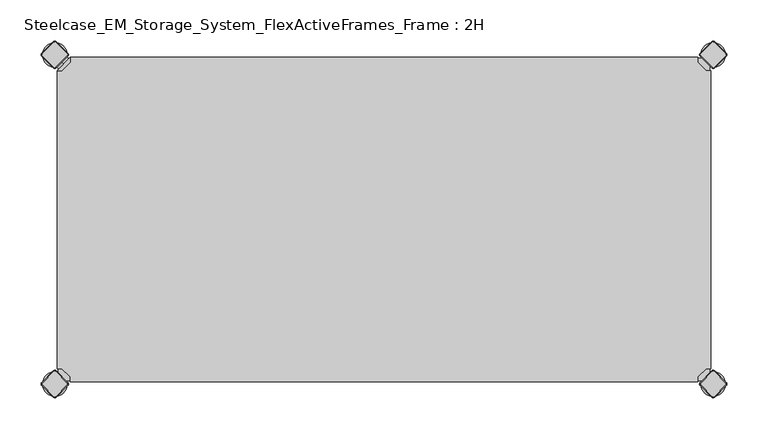
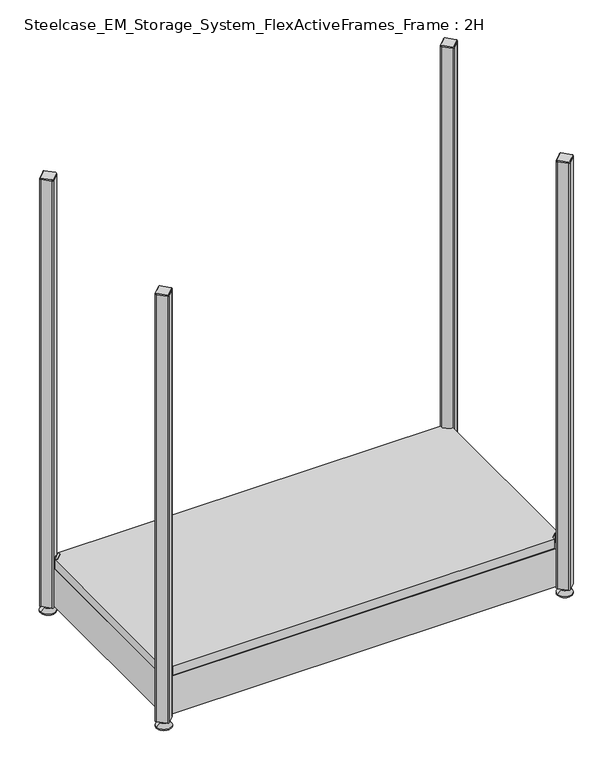
"""IFC4 building model written with IfcOpenShell, lengths in millimetres: furniture geometry, Steelcase_EM_Storage_System_FlexActiveFrames_Frame : 2H."""

from ifc_helpers import new_model, si_unit, point, frame, frame_2d, origin, place, context, project, spatial, polyline, circle_curve, trimmed, segment, composite_curve, outline, extrude, source, transform, mapped, element, save
from ifc_brep_helpers import plane_surface, cylinder_surface, revolved_surface, advanced_brep


def steelcase_em_storage_system_flexactiveframes_frame_2h_0c2cff49(model_context):
    return source(origin(), model_context, "Body", "SolidModel", [
        advanced_brep(
        [(10.9601551, -10.9601551, 98.5), (10.9601551, -10.9601551, 115.5), (10.9601551, -10.9601551, 107.0), (8.8388348, -8.8388348, 98.5), (8.8388348, -8.8388348, 115.5), (8.8388348, -8.8388348, 107.0)],
        [
            (0, 1, circle_curve(frame((10.9601551, -10.9601551, 107.0), z_axis=(0.7071067811865464, -0.7071067811865487, 0.0), x_axis=(0.0, 0.0, 1.0)), 8.5)),
            (1, 2),
            (2, 0),
            (1, 0, circle_curve(frame((10.9601551, -10.9601551, 107.0), z_axis=(0.7071067811865464, -0.7071067811865487, 0.0), x_axis=(0.0, 0.0, 1.0)), 8.5)),
            (3, 4, circle_curve(frame((8.8388348, -8.8388348, 107.0), z_axis=(0.7071067811865464, -0.7071067811865487, 0.0), x_axis=(0.0, 0.0, 1.0)), 8.5)),
            (4, 1),
            (0, 3),
            (4, 3, circle_curve(frame((8.8388348, -8.8388348, 107.0), z_axis=(0.7071067811865464, -0.7071067811865487, 0.0), x_axis=(0.0, 0.0, 1.0)), 8.5)),
            (5, 4),
            (3, 5),
        ],
        [
            plane_surface(frame((10.9601551, -10.9601551, 107.0), z_axis=(0.707106781186546, -0.7071067811865491, 0.0), x_axis=(0.0, 0.0, 1.0))),
            cylinder_surface(frame((8.8388348, -8.8388348, 107.0), z_axis=(-0.7071067811865464, 0.7071067811865487, 0.0), x_axis=(0.0, 0.0, 1.0)), 8.5),
            plane_surface(frame((8.8388348, -8.8388348, 107.0), z_axis=(-0.707106781186546, 0.7071067811865491, 0.0), x_axis=(0.0, 0.0, 1.0))),
        ],
        [
            (0, [[1, 2, 3]]),
            (0, [[4, -3, -2]]),
            (1, [[5, 6, -1, 7]]),
            (1, [[8, -7, -4, -6]]),
            (2, [[9, -5, 10]]),
            (2, [[-10, -8, -9]]),
        ],
    ),
        advanced_brep(
        [(18.9203102, -3.0, 117.0), (3.0, -18.9203102, 117.0), (8.6568542, -18.9203102, 117.0), (18.9203102, -8.6568542, 117.0), (18.9203102, -3.0, 98.0), (18.9203102, -3.0, 97.0), (3.0, -18.9203102, 97.0), (3.0, -18.9203102, 98.0), (8.6568542, -18.9203102, 98.0), (18.9203102, -8.6568542, 98.0), (31.8093975, -47.7297077, 98.0), (47.7297077, -31.8093975, 98.0), (47.7297077, -31.8093975, 97.0), (31.8093975, -47.7297077, 97.0)],
        [
            (0, 1),
            (1, 2),
            (2, 3),
            (3, 0),
            (0, 4),
            (4, 5),
            (5, 6),
            (6, 7),
            (7, 1),
            (2, 8),
            (8, 9),
            (9, 3),
            (9, 4),
            (7, 8),
            (7, 10),
            (10, 11, circle_curve(frame((39.7695526, -39.7695526, 98.0), z_axis=(0.0, 0.0, 1.0), x_axis=(1.0, 0.0, 0.0)), 11.2573593)),
            (11, 4),
            (5, 12),
            (12, 13, circle_curve(frame((39.7695526, -39.7695526, 97.0), z_axis=(0.0, 0.0, -1.0), x_axis=(1.0, 0.0, 0.0)), 11.2573593)),
            (13, 6),
            (13, 10),
            (12, 11),
        ],
        [
            plane_surface(frame((-38.8756299, -60.7959401, 117.0), z_axis=(0.0, 0.0, 1.0000000000000002), x_axis=(-0.7071067811865557, -0.7071067811865395, 0.0))),
            plane_surface(frame((18.9203102, -3.0, 117.0), z_axis=(-0.7071067811865395, 0.7071067811865557, 0.0), x_axis=(0.0, 0.0, -1.0))),
            plane_surface(frame((8.6568542, -18.9203102, 117.0), z_axis=(0.7071067811865481, -0.7071067811865469, 0.0), x_axis=(0.0, 0.0, -1.0))),
            plane_surface(frame((18.9203102, -8.6568542, 117.0), z_axis=(1.0, 0.0, 0.0), x_axis=(0.0, 0.0, -1.0))),
            plane_surface(frame((3.0, -18.9203102, 117.0), z_axis=(0.0, -1.0, 0.0), x_axis=(0.0, 0.0, -1.0))),
            plane_surface(frame((3.0, -18.9203102, 98.0), z_axis=(0.0, 0.0, 1.0), x_axis=(-0.7071067811865485, -0.7071067811865466, 0.0))),
            plane_surface(frame((3.0, -18.9203102, 97.0), z_axis=(0.0, 0.0, -1.0), x_axis=(0.7071067811865485, 0.7071067811865466, 0.0))),
            plane_surface(frame((3.0, -18.9203102, 98.0), z_axis=(-0.7071067811865491, -0.707106781186546, 0.0), x_axis=(0.0, 0.0, -1.0))),
            cylinder_surface(frame((39.7695526, -39.7695526, 97.0), z_axis=(0.0, 0.0, 1.0), x_axis=(1.0, 0.0, 0.0)), 11.2573593),
            plane_surface(frame((47.7297077, -31.8093975, 98.0), z_axis=(0.707106781186548, 0.7071067811865471, 0.0), x_axis=(0.0, 0.0, -1.0))),
        ],
        [
            (0, [[1, 2, 3, 4]]),
            (1, [[-1, 5, 6, 7, 8, 9]]),
            (2, [[-3, 10, 11, 12]]),
            (3, [[-4, -12, 13, -5]]),
            (4, [[-2, -9, 14, -10]]),
            (5, [[15, 16, 17, -13, -11, -14]]),
            (6, [[18, 19, 20, -7]]),
            (7, [[-15, -8, -20, 21]]),
            (8, [[-16, -21, -19, 22]]),
            (9, [[-17, -22, -18, -6]]),
        ],
    ),
        extrude(outline(polyline([(781.0796898, -3.0), (781.0796898, -8.6568542), (791.3431458, -18.9203102), (797.0, -18.9203102), (797.0, -381.0796898), (791.3431458, -381.0796898), (781.0796898, -391.3431458), (781.0796898, -397.0), (18.9203102, -397.0), (18.9203102, -391.3431458), (8.6568542, -381.0796898), (3.0, -381.0796898), (3.0, -18.9203102), (8.6568542, -18.9203102), (18.9203102, -8.6568542), (18.9203102, -3.0), (781.0796898, -3.0)])), frame((0.0, 0.0, 98.0), z_axis=(0.0, 0.0, 1.0), x_axis=(1.0, 0.0, 0.0)), (0.0, 0.0, 1.0), 19.0),
        advanced_brep(
        [(785.0, -400.0, 0.0), (815.0, -400.0, 0.0), (800.0, -400.0, 0.0), (785.0, -400.0, 2.0), (815.0, -400.0, 2.0), (792.0, -400.0, 9.0), (808.0, -400.0, 9.0), (796.0, -400.0, 9.0), (804.0, -400.0, 9.0), (796.0, -400.0, 15.0), (804.0, -400.0, 15.0), (800.0, -400.0, 15.0)],
        [
            (0, 1, circle_curve(frame((800.0, -400.0, 0.0), z_axis=(0.0, 0.0, -1.0), x_axis=(1.0, 0.0, 0.0)), 15.0)),
            (1, 2),
            (2, 0),
            (1, 0, circle_curve(frame((800.0, -400.0, 0.0), z_axis=(0.0, 0.0, -1.0), x_axis=(1.0, 0.0, 0.0)), 15.0)),
            (3, 4, circle_curve(frame((800.0, -400.0, 2.0), z_axis=(0.0, 0.0, -1.0), x_axis=(1.0, 0.0, 0.0)), 15.0)),
            (4, 1),
            (0, 3),
            (4, 3, circle_curve(frame((800.0, -400.0, 2.0), z_axis=(0.0, 0.0, -1.0), x_axis=(1.0, 0.0, 0.0)), 15.0)),
            (5, 6, circle_curve(frame((800.0, -400.0, 9.0), z_axis=(0.0, 0.0, -1.0), x_axis=(1.0, 0.0, 0.0)), 8.0)),
            (6, 4),
            (3, 5),
            (6, 5, circle_curve(frame((800.0, -400.0, 9.0), z_axis=(0.0, 0.0, -1.0), x_axis=(1.0, 0.0, 0.0)), 8.0)),
            (7, 8, circle_curve(frame((800.0, -400.0, 9.0), z_axis=(0.0, 0.0, -1.0), x_axis=(1.0, 0.0, 0.0)), 4.0)),
            (8, 6),
            (5, 7),
            (8, 7, circle_curve(frame((800.0, -400.0, 9.0), z_axis=(0.0, 0.0, -1.0), x_axis=(1.0, 0.0, 0.0)), 4.0)),
            (9, 10, circle_curve(frame((800.0, -400.0, 15.0), z_axis=(0.0, 0.0, -1.0), x_axis=(1.0, 0.0, 0.0)), 4.0)),
            (10, 8),
            (7, 9),
            (10, 9, circle_curve(frame((800.0, -400.0, 15.0), z_axis=(0.0, 0.0, -1.0), x_axis=(1.0, 0.0, 0.0)), 4.0)),
            (11, 10),
            (9, 11),
        ],
        [
            plane_surface(frame((800.0, -400.0, 0.0), z_axis=(0.0, 0.0, -1.0), x_axis=(1.0, 0.0, 0.0))),
            cylinder_surface(frame((800.0, -400.0, 18.6083303), z_axis=(0.0, 0.0, 1.0), x_axis=(1.0, 0.0, 0.0)), 15.0),
            revolved_surface(polyline([(815.0, -400.0, 2.0), (808.0, -400.0, 9.0)]), (800.0, -400.0, 18.6083303), (0.0, 0.0, 1.0)),
            plane_surface(frame((800.0, -400.0, 9.0), z_axis=(0.0, 0.0, 1.0), x_axis=(1.0, 0.0, 0.0))),
            cylinder_surface(frame((800.0, -400.0, 18.6083303), z_axis=(0.0, 0.0, 1.0), x_axis=(1.0, 0.0, 0.0)), 4.0),
            plane_surface(frame((800.0, -400.0, 15.0), z_axis=(0.0, 0.0, 1.0), x_axis=(1.0, 0.0, 0.0))),
        ],
        [
            (0, [[1, 2, 3]]),
            (0, [[4, -3, -2]]),
            (1, [[5, 6, -1, 7]]),
            (1, [[8, -7, -4, -6]]),
            (2, [[9, 10, -5, 11]]),
            (2, [[12, -11, -8, -10]]),
            (3, [[13, 14, -9, 15]]),
            (3, [[16, -15, -12, -14]]),
            (4, [[17, 18, -13, 19]]),
            (4, [[20, -19, -16, -18]]),
            (5, [[21, -17, 22]]),
            (5, [[-22, -20, -21]]),
        ],
    ),
        advanced_brep(
        [(798.7979185, -384.6557828, 917.0), (784.6557828, -398.7979185, 917.0), (784.6557828, -401.2020815, 917.0), (798.7979185, -415.3442172, 917.0), (801.2020815, -415.3442172, 917.0), (815.3442172, -401.2020815, 917.0), (815.3442172, -398.7979185, 917.0), (801.2020815, -384.6557828, 917.0), (798.232233, -384.0900974, 915.0), (801.767767, -384.0900974, 915.0), (815.9099026, -398.232233, 915.0), (815.9099026, -401.767767, 915.0), (801.767767, -415.9099026, 915.0), (798.232233, -415.9099026, 915.0), (784.0900974, -401.767767, 915.0), (784.0900974, -398.232233, 915.0)],
        [
            (0, 1),
            (1, 2, circle_curve(frame((785.8578644, -400.0, 917.0), z_axis=(0.0, 0.0, 1.0), x_axis=(-0.7071067811865537, 0.7071067811865414, 0.0)), 1.7)),
            (2, 3),
            (3, 4, circle_curve(frame((800.0, -414.1421356, 917.0), z_axis=(0.0, 0.0, 1.0), x_axis=(-0.7071067811865491, -0.707106781186546, 0.0)), 1.7)),
            (4, 5),
            (5, 6, circle_curve(frame((814.1421356, -400.0, 917.0), z_axis=(0.0, 0.0, 1.0), x_axis=(0.707106781186539, -0.7071067811865559, 0.0)), 1.7)),
            (6, 7),
            (7, 0, circle_curve(frame((800.0, -385.8578644, 917.0), z_axis=(0.0, 0.0, 1.0), x_axis=(0.7071067811865458, 0.7071067811865492, 0.0)), 1.7)),
            (8, 9, circle_curve(frame((800.0, -385.8578644, 915.0), z_axis=(0.0, 0.0, -1.0), x_axis=(0.7071067811865458, 0.7071067811865492, 0.0)), 2.5)),
            (9, 10),
            (10, 11, circle_curve(frame((814.1421356, -400.0, 915.0), z_axis=(0.0, 0.0, -1.0), x_axis=(0.707106781186539, -0.7071067811865559, 0.0)), 2.5)),
            (11, 12),
            (12, 13, circle_curve(frame((800.0, -414.1421356, 915.0), z_axis=(0.0, 0.0, -1.0), x_axis=(-0.7071067811865491, -0.707106781186546, 0.0)), 2.5)),
            (13, 14),
            (14, 15, circle_curve(frame((785.8578644, -400.0, 915.0), z_axis=(0.0, 0.0, -1.0), x_axis=(-0.7071067811865537, 0.7071067811865414, 0.0)), 2.5)),
            (15, 8),
            (15, 1),
            (0, 8),
            (14, 2),
            (13, 3),
            (12, 4),
            (11, 5),
            (10, 6),
            (9, 7),
        ],
        [
            plane_surface(frame((800.0, -400.0, 917.0), z_axis=(0.0, 0.0, 1.0), x_axis=(-0.7071067811865486, 0.7071067811865466, 0.0))),
            plane_surface(frame((800.0, -400.0, 915.0), z_axis=(0.0, 0.0, -1.0), x_axis=(-0.7071067811865486, 0.7071067811865466, 0.0))),
            plane_surface(frame((791.1611652, -391.1611652, 915.0), z_axis=(-0.6565321642986388, 0.6565321642986298, 0.3713906763540281), x_axis=(-0.7071067811865408, -0.7071067811865543, 0.0))),
            revolved_surface(polyline([(784.65578284, -398.79791844, 917.0), (784.0900974, -398.232233, 915.0)]), (785.8578644, -400.0, 921.25), (0.0, 0.0, -1.0)),
            plane_surface(frame((791.1611652, -408.8388348, 915.0), z_axis=(-0.6565321642986306, -0.656532164298643, 0.3713906763540188), x_axis=(0.7071067811865523, -0.7071067811865428, 0.0))),
            revolved_surface(polyline([(798.79791844, -415.34421716, 917.0), (798.232233, -415.9099026, 915.0)]), (800.0, -414.1421356, 921.25), (0.0, 0.0, -1.0)),
            plane_surface(frame((808.8388348, -408.8388348, 915.0), z_axis=(0.6565321642986299, -0.656532164298642, 0.3713906763540221), x_axis=(0.7071067811865541, 0.707106781186541, 0.0))),
            revolved_surface(polyline([(815.34421716, -401.20208156, 917.0), (815.9099026, -401.767767, 915.0)]), (814.1421356, -400.0, 921.25), (0.0, 0.0, -1.0)),
            plane_surface(frame((808.8388348, -391.1611652, 915.0), z_axis=(0.6565321642986411, 0.6565321642986284, 0.37139067635402634), x_axis=(-0.7071067811865407, 0.7071067811865545, 0.0))),
            revolved_surface(polyline([(801.20208156, -384.65578284, 917.0), (801.767767, -384.0900974, 915.0)]), (800.0, -385.8578644, 921.25), (0.0, 0.0, -1.0)),
        ],
        [
            (0, [[1, 2, 3, 4, 5, 6, 7, 8]]),
            (1, [[9, 10, 11, 12, 13, 14, 15, 16]]),
            (2, [[-16, 17, -1, 18]]),
            (3, [[-15, 19, -2, -17]]),
            (4, [[-14, 20, -3, -19]]),
            (5, [[-13, 21, -4, -20]]),
            (6, [[-12, 22, -5, -21]]),
            (7, [[-11, 23, -6, -22]]),
            (8, [[-10, 24, -7, -23]]),
            (9, [[-9, -18, -8, -24]]),
        ],
    ),
        extrude(outline(composite_curve([segment(trimmed(circle_curve(frame_2d((814.1421356, -400.0)), 2.5), [point((815.9099026, -398.232233))], [point((815.9099026, -401.767767))], False, "CARTESIAN"), True, "CONTINUOUS"), segment(polyline([(815.9099026, -401.767767), (801.767767, -415.9099026)]), True, "CONTINUOUS"), segment(trimmed(circle_curve(frame_2d((800.0, -414.1421356)), 2.5), [point((801.767767, -415.9099026))], [point((798.232233, -415.9099026))], False, "CARTESIAN"), True, "CONTINUOUS"), segment(polyline([(798.232233, -415.9099026), (784.0900974, -401.767767)]), True, "CONTINUOUS"), segment(trimmed(circle_curve(frame_2d((785.8578644, -400.0)), 2.5), [point((784.0900974, -401.767767))], [point((784.0900974, -398.232233))], False, "CARTESIAN"), True, "CONTINUOUS"), segment(polyline([(784.0900974, -398.232233), (798.232233, -384.0900974)]), True, "CONTINUOUS"), segment(trimmed(circle_curve(frame_2d((800.0, -385.8578644)), 2.5), [point((798.232233, -384.0900974))], [point((801.767767, -384.0900974))], False, "CARTESIAN"), True, "CONTINUOUS"), segment(polyline([(801.767767, -384.0900974), (815.9099026, -398.232233)]), True, "CONTINUOUS")], self_intersect=False)), frame((0.0, 0.0, 15.0), z_axis=(0.0, 0.0, 1.0), x_axis=(1.0, 0.0, 0.0)), (0.0, 0.0, 1.0), 900.0),
        advanced_brep(
        [(785.0, 0.0, 0.0), (815.0, 0.0, 0.0), (800.0, 0.0, 0.0), (785.0, 0.0, 2.0), (815.0, 0.0, 2.0), (792.0, 0.0, 9.0), (808.0, 0.0, 9.0), (796.0, 0.0, 9.0), (804.0, 0.0, 9.0), (796.0, 0.0, 15.0), (804.0, 0.0, 15.0), (800.0, 0.0, 15.0)],
        [
            (0, 1, circle_curve(frame((800.0, 0.0, 0.0), z_axis=(0.0, 0.0, -1.0), x_axis=(1.0, 0.0, 0.0)), 15.0)),
            (1, 2),
            (2, 0),
            (1, 0, circle_curve(frame((800.0, 0.0, 0.0), z_axis=(0.0, 0.0, -1.0), x_axis=(1.0, 0.0, 0.0)), 15.0)),
            (3, 4, circle_curve(frame((800.0, 0.0, 2.0), z_axis=(0.0, 0.0, -1.0), x_axis=(1.0, 0.0, 0.0)), 15.0)),
            (4, 1),
            (0, 3),
            (4, 3, circle_curve(frame((800.0, 0.0, 2.0), z_axis=(0.0, 0.0, -1.0), x_axis=(1.0, 0.0, 0.0)), 15.0)),
            (5, 6, circle_curve(frame((800.0, 0.0, 9.0), z_axis=(0.0, 0.0, -1.0), x_axis=(1.0, 0.0, 0.0)), 8.0)),
            (6, 4),
            (3, 5),
            (6, 5, circle_curve(frame((800.0, 0.0, 9.0), z_axis=(0.0, 0.0, -1.0), x_axis=(1.0, 0.0, 0.0)), 8.0)),
            (7, 8, circle_curve(frame((800.0, 0.0, 9.0), z_axis=(0.0, 0.0, -1.0), x_axis=(1.0, 0.0, 0.0)), 4.0)),
            (8, 6),
            (5, 7),
            (8, 7, circle_curve(frame((800.0, 0.0, 9.0), z_axis=(0.0, 0.0, -1.0), x_axis=(1.0, 0.0, 0.0)), 4.0)),
            (9, 10, circle_curve(frame((800.0, 0.0, 15.0), z_axis=(0.0, 0.0, -1.0), x_axis=(1.0, 0.0, 0.0)), 4.0)),
            (10, 8),
            (7, 9),
            (10, 9, circle_curve(frame((800.0, 0.0, 15.0), z_axis=(0.0, 0.0, -1.0), x_axis=(1.0, 0.0, 0.0)), 4.0)),
            (11, 10),
            (9, 11),
        ],
        [
            plane_surface(frame((800.0, 0.0, 0.0), z_axis=(0.0, 0.0, -1.0), x_axis=(1.0, 0.0, 0.0))),
            cylinder_surface(frame((800.0, 0.0, 18.6083303), z_axis=(0.0, 0.0, 1.0), x_axis=(1.0, 0.0, 0.0)), 15.0),
            revolved_surface(polyline([(815.0, 0.0, 2.0), (808.0, 0.0, 9.0)]), (800.0, 0.0, 18.6083303), (0.0, 0.0, 1.0)),
            plane_surface(frame((800.0, 0.0, 9.0), z_axis=(0.0, 0.0, 1.0), x_axis=(1.0, 0.0, 0.0))),
            cylinder_surface(frame((800.0, 0.0, 18.6083303), z_axis=(0.0, 0.0, 1.0), x_axis=(1.0, 0.0, 0.0)), 4.0),
            plane_surface(frame((800.0, 0.0, 15.0), z_axis=(0.0, 0.0, 1.0), x_axis=(1.0, 0.0, 0.0))),
        ],
        [
            (0, [[1, 2, 3]]),
            (0, [[4, -3, -2]]),
            (1, [[5, 6, -1, 7]]),
            (1, [[8, -7, -4, -6]]),
            (2, [[9, 10, -5, 11]]),
            (2, [[12, -11, -8, -10]]),
            (3, [[13, 14, -9, 15]]),
            (3, [[16, -15, -12, -14]]),
            (4, [[17, 18, -13, 19]]),
            (4, [[20, -19, -16, -18]]),
            (5, [[21, -17, 22]]),
            (5, [[-22, -20, -21]]),
        ],
    ),
        advanced_brep(
        [(798.7979185, 15.3442172, 917.0), (784.6557828, 1.2020815, 917.0), (784.6557828, -1.2020815, 917.0), (798.7979185, -15.3442172, 917.0), (801.2020815, -15.3442172, 917.0), (815.3442172, -1.2020815, 917.0), (815.3442172, 1.2020815, 917.0), (801.2020815, 15.3442172, 917.0), (798.232233, 15.9099026, 915.0), (801.767767, 15.9099026, 915.0), (815.9099026, 1.767767, 915.0), (815.9099026, -1.767767, 915.0), (801.767767, -15.9099026, 915.0), (798.232233, -15.9099026, 915.0), (784.0900974, -1.767767, 915.0), (784.0900974, 1.767767, 915.0)],
        [
            (0, 1),
            (1, 2, circle_curve(frame((785.8578644, 0.0, 917.0), z_axis=(0.0, 0.0, 1.0), x_axis=(-0.7071067811865537, 0.7071067811865414, 0.0)), 1.7)),
            (2, 3),
            (3, 4, circle_curve(frame((800.0, -14.1421356, 917.0), z_axis=(0.0, 0.0, 1.0), x_axis=(-0.7071067811865491, -0.707106781186546, 0.0)), 1.7)),
            (4, 5),
            (5, 6, circle_curve(frame((814.1421356, 0.0, 917.0), z_axis=(0.0, 0.0, 1.0), x_axis=(0.707106781186539, -0.7071067811865559, 0.0)), 1.7)),
            (6, 7),
            (7, 0, circle_curve(frame((800.0, 14.1421356, 917.0), z_axis=(0.0, 0.0, 1.0), x_axis=(0.7071067811865458, 0.7071067811865492, 0.0)), 1.7)),
            (8, 9, circle_curve(frame((800.0, 14.1421356, 915.0), z_axis=(0.0, 0.0, -1.0), x_axis=(0.7071067811865458, 0.7071067811865492, 0.0)), 2.5)),
            (9, 10),
            (10, 11, circle_curve(frame((814.1421356, 0.0, 915.0), z_axis=(0.0, 0.0, -1.0), x_axis=(0.707106781186539, -0.7071067811865559, 0.0)), 2.5)),
            (11, 12),
            (12, 13, circle_curve(frame((800.0, -14.1421356, 915.0), z_axis=(0.0, 0.0, -1.0), x_axis=(-0.7071067811865491, -0.707106781186546, 0.0)), 2.5)),
            (13, 14),
            (14, 15, circle_curve(frame((785.8578644, 0.0, 915.0), z_axis=(0.0, 0.0, -1.0), x_axis=(-0.7071067811865537, 0.7071067811865414, 0.0)), 2.5)),
            (15, 8),
            (15, 1),
            (0, 8),
            (14, 2),
            (13, 3),
            (12, 4),
            (11, 5),
            (10, 6),
            (9, 7),
        ],
        [
            plane_surface(frame((800.0, 0.0, 917.0), z_axis=(0.0, 0.0, 1.0), x_axis=(-0.7071067811865486, 0.7071067811865466, 0.0))),
            plane_surface(frame((800.0, 0.0, 915.0), z_axis=(0.0, 0.0, -1.0), x_axis=(-0.7071067811865486, 0.7071067811865466, 0.0))),
            plane_surface(frame((791.1611652, 8.8388348, 915.0), z_axis=(-0.6565321642986388, 0.6565321642986298, 0.3713906763540281), x_axis=(-0.7071067811865408, -0.7071067811865543, 0.0))),
            revolved_surface(polyline([(784.65578284, 1.20208156, 917.0), (784.0900974, 1.767767, 915.0)]), (785.8578644, 0.0, 921.25), (0.0, 0.0, -1.0)),
            plane_surface(frame((791.1611652, -8.8388348, 915.0), z_axis=(-0.6565321642986306, -0.656532164298643, 0.3713906763540188), x_axis=(0.7071067811865523, -0.7071067811865428, 0.0))),
            revolved_surface(polyline([(798.79791844, -15.34421716, 917.0), (798.232233, -15.9099026, 915.0)]), (800.0, -14.1421356, 921.25), (0.0, 0.0, -1.0)),
            plane_surface(frame((808.8388348, -8.8388348, 915.0), z_axis=(0.6565321642986299, -0.656532164298642, 0.3713906763540221), x_axis=(0.7071067811865541, 0.707106781186541, 0.0))),
            revolved_surface(polyline([(815.34421716, -1.20208156, 917.0), (815.9099026, -1.767767, 915.0)]), (814.1421356, 0.0, 921.25), (0.0, 0.0, -1.0)),
            plane_surface(frame((808.8388348, 8.8388348, 915.0), z_axis=(0.6565321642986411, 0.6565321642986284, 0.37139067635402634), x_axis=(-0.7071067811865407, 0.7071067811865545, 0.0))),
            revolved_surface(polyline([(801.20208156, 15.34421716, 917.0), (801.767767, 15.9099026, 915.0)]), (800.0, 14.1421356, 921.25), (0.0, 0.0, -1.0)),
        ],
        [
            (0, [[1, 2, 3, 4, 5, 6, 7, 8]]),
            (1, [[9, 10, 11, 12, 13, 14, 15, 16]]),
            (2, [[-16, 17, -1, 18]]),
            (3, [[-15, 19, -2, -17]]),
            (4, [[-14, 20, -3, -19]]),
            (5, [[-13, 21, -4, -20]]),
            (6, [[-12, 22, -5, -21]]),
            (7, [[-11, 23, -6, -22]]),
            (8, [[-10, 24, -7, -23]]),
            (9, [[-9, -18, -8, -24]]),
        ],
    ),
        extrude(outline(composite_curve([segment(trimmed(circle_curve(frame_2d((814.1421356, 0.0)), 2.5), [point((815.9099026, 1.767767))], [point((815.9099026, -1.767767))], False, "CARTESIAN"), True, "CONTINUOUS"), segment(polyline([(815.9099026, -1.767767), (801.767767, -15.9099026)]), True, "CONTINUOUS"), segment(trimmed(circle_curve(frame_2d((800.0, -14.1421356)), 2.5), [point((801.767767, -15.9099026))], [point((798.232233, -15.9099026))], False, "CARTESIAN"), True, "CONTINUOUS"), segment(polyline([(798.232233, -15.9099026), (784.0900974, -1.767767)]), True, "CONTINUOUS"), segment(trimmed(circle_curve(frame_2d((785.8578644, 0.0)), 2.5), [point((784.0900974, -1.767767))], [point((784.0900974, 1.767767))], False, "CARTESIAN"), True, "CONTINUOUS"), segment(polyline([(784.0900974, 1.767767), (798.232233, 15.9099026)]), True, "CONTINUOUS"), segment(trimmed(circle_curve(frame_2d((800.0, 14.1421356)), 2.5), [point((798.232233, 15.9099026))], [point((801.767767, 15.9099026))], False, "CARTESIAN"), True, "CONTINUOUS"), segment(polyline([(801.767767, 15.9099026), (815.9099026, 1.767767)]), True, "CONTINUOUS")], self_intersect=False)), frame((0.0, 0.0, 15.0), z_axis=(0.0, 0.0, 1.0), x_axis=(1.0, 0.0, 0.0)), (0.0, 0.0, 1.0), 900.0),
        advanced_brep(
        [(-15.0, -400.0, 0.0), (15.0, -400.0, 0.0), (0.0, -400.0, 0.0), (-15.0, -400.0, 2.0), (15.0, -400.0, 2.0), (-8.0, -400.0, 9.0), (8.0, -400.0, 9.0), (-4.0, -400.0, 9.0), (4.0, -400.0, 9.0), (-4.0, -400.0, 15.0), (4.0, -400.0, 15.0), (0.0, -400.0, 15.0)],
        [
            (0, 1, circle_curve(frame((0.0, -400.0, 0.0), z_axis=(0.0, 0.0, -1.0), x_axis=(1.0, 0.0, 0.0)), 15.0)),
            (1, 2),
            (2, 0),
            (1, 0, circle_curve(frame((0.0, -400.0, 0.0), z_axis=(0.0, 0.0, -1.0), x_axis=(1.0, 0.0, 0.0)), 15.0)),
            (3, 4, circle_curve(frame((0.0, -400.0, 2.0), z_axis=(0.0, 0.0, -1.0), x_axis=(1.0, 0.0, 0.0)), 15.0)),
            (4, 1),
            (0, 3),
            (4, 3, circle_curve(frame((0.0, -400.0, 2.0), z_axis=(0.0, 0.0, -1.0), x_axis=(1.0, 0.0, 0.0)), 15.0)),
            (5, 6, circle_curve(frame((0.0, -400.0, 9.0), z_axis=(0.0, 0.0, -1.0), x_axis=(1.0, 0.0, 0.0)), 8.0)),
            (6, 4),
            (3, 5),
            (6, 5, circle_curve(frame((0.0, -400.0, 9.0), z_axis=(0.0, 0.0, -1.0), x_axis=(1.0, 0.0, 0.0)), 8.0)),
            (7, 8, circle_curve(frame((0.0, -400.0, 9.0), z_axis=(0.0, 0.0, -1.0), x_axis=(1.0, 0.0, 0.0)), 4.0)),
            (8, 6),
            (5, 7),
            (8, 7, circle_curve(frame((0.0, -400.0, 9.0), z_axis=(0.0, 0.0, -1.0), x_axis=(1.0, 0.0, 0.0)), 4.0)),
            (9, 10, circle_curve(frame((0.0, -400.0, 15.0), z_axis=(0.0, 0.0, -1.0), x_axis=(1.0, 0.0, 0.0)), 4.0)),
            (10, 8),
            (7, 9),
            (10, 9, circle_curve(frame((0.0, -400.0, 15.0), z_axis=(0.0, 0.0, -1.0), x_axis=(1.0, 0.0, 0.0)), 4.0)),
            (11, 10),
            (9, 11),
        ],
        [
            plane_surface(frame((0.0, -400.0, 0.0), z_axis=(0.0, 0.0, -1.0), x_axis=(1.0, 0.0, 0.0))),
            cylinder_surface(frame((0.0, -400.0, 18.6083303), z_axis=(0.0, 0.0, 1.0), x_axis=(1.0, 0.0, 0.0)), 15.0),
            revolved_surface(polyline([(15.0, -400.0, 2.0), (8.0, -400.0, 9.0)]), (0.0, -400.0, 18.6083303), (0.0, 0.0, 1.0)),
            plane_surface(frame((0.0, -400.0, 9.0), z_axis=(0.0, 0.0, 1.0), x_axis=(1.0, 0.0, 0.0))),
            cylinder_surface(frame((0.0, -400.0, 18.6083303), z_axis=(0.0, 0.0, 1.0), x_axis=(1.0, 0.0, 0.0)), 4.0),
            plane_surface(frame((0.0, -400.0, 15.0), z_axis=(0.0, 0.0, 1.0), x_axis=(1.0, 0.0, 0.0))),
        ],
        [
            (0, [[1, 2, 3]]),
            (0, [[4, -3, -2]]),
            (1, [[5, 6, -1, 7]]),
            (1, [[8, -7, -4, -6]]),
            (2, [[9, 10, -5, 11]]),
            (2, [[12, -11, -8, -10]]),
            (3, [[13, 14, -9, 15]]),
            (3, [[16, -15, -12, -14]]),
            (4, [[17, 18, -13, 19]]),
            (4, [[20, -19, -16, -18]]),
            (5, [[21, -17, 22]]),
            (5, [[-22, -20, -21]]),
        ],
    ),
        advanced_brep(
        [(-1.2020815, -384.6557828, 917.0), (-15.3442172, -398.7979185, 917.0), (-15.3442172, -401.2020815, 917.0), (-1.2020815, -415.3442172, 917.0), (1.2020815, -415.3442172, 917.0), (15.3442172, -401.2020815, 917.0), (15.3442172, -398.7979185, 917.0), (1.2020815, -384.6557828, 917.0), (-1.767767, -384.0900974, 915.0), (1.767767, -384.0900974, 915.0), (15.9099026, -398.232233, 915.0), (15.9099026, -401.767767, 915.0), (1.767767, -415.9099026, 915.0), (-1.767767, -415.9099026, 915.0), (-15.9099026, -401.767767, 915.0), (-15.9099026, -398.232233, 915.0)],
        [
            (0, 1),
            (1, 2, circle_curve(frame((-14.1421356, -400.0, 917.0), z_axis=(0.0, 0.0, 1.0), x_axis=(-0.7071067811865537, 0.7071067811865414, 0.0)), 1.7)),
            (2, 3),
            (3, 4, circle_curve(frame((0.0, -414.1421356, 917.0), z_axis=(0.0, 0.0, 1.0), x_axis=(-0.7071067811865491, -0.707106781186546, 0.0)), 1.7)),
            (4, 5),
            (5, 6, circle_curve(frame((14.1421356, -400.0, 917.0), z_axis=(0.0, 0.0, 1.0), x_axis=(0.707106781186539, -0.7071067811865559, 0.0)), 1.7)),
            (6, 7),
            (7, 0, circle_curve(frame((0.0, -385.8578644, 917.0), z_axis=(0.0, 0.0, 1.0), x_axis=(0.7071067811865458, 0.7071067811865492, 0.0)), 1.7)),
            (8, 9, circle_curve(frame((0.0, -385.8578644, 915.0), z_axis=(0.0, 0.0, -1.0), x_axis=(0.7071067811865458, 0.7071067811865492, 0.0)), 2.5)),
            (9, 10),
            (10, 11, circle_curve(frame((14.1421356, -400.0, 915.0), z_axis=(0.0, 0.0, -1.0), x_axis=(0.707106781186539, -0.7071067811865559, 0.0)), 2.5)),
            (11, 12),
            (12, 13, circle_curve(frame((0.0, -414.1421356, 915.0), z_axis=(0.0, 0.0, -1.0), x_axis=(-0.7071067811865491, -0.707106781186546, 0.0)), 2.5)),
            (13, 14),
            (14, 15, circle_curve(frame((-14.1421356, -400.0, 915.0), z_axis=(0.0, 0.0, -1.0), x_axis=(-0.7071067811865537, 0.7071067811865414, 0.0)), 2.5)),
            (15, 8),
            (15, 1),
            (0, 8),
            (14, 2),
            (13, 3),
            (12, 4),
            (11, 5),
            (10, 6),
            (9, 7),
        ],
        [
            plane_surface(frame((0.0, -400.0, 917.0), z_axis=(0.0, 0.0, 1.0), x_axis=(-0.7071067811865486, 0.7071067811865466, 0.0))),
            plane_surface(frame((0.0, -400.0, 915.0), z_axis=(0.0, 0.0, -1.0), x_axis=(-0.7071067811865486, 0.7071067811865466, 0.0))),
            plane_surface(frame((-8.8388348, -391.1611652, 915.0), z_axis=(-0.6565321642986388, 0.6565321642986298, 0.3713906763540281), x_axis=(-0.7071067811865408, -0.7071067811865543, 0.0))),
            revolved_surface(polyline([(-15.34421716, -398.79791844, 917.0), (-15.9099026, -398.232233, 915.0)]), (-14.1421356, -400.0, 921.25), (0.0, 0.0, -1.0)),
            plane_surface(frame((-8.8388348, -408.8388348, 915.0), z_axis=(-0.6565321642986306, -0.656532164298643, 0.3713906763540188), x_axis=(0.7071067811865523, -0.7071067811865428, 0.0))),
            revolved_surface(polyline([(-1.20208156, -415.34421716, 917.0), (-1.767767, -415.9099026, 915.0)]), (0.0, -414.1421356, 921.25), (0.0, 0.0, -1.0)),
            plane_surface(frame((8.8388348, -408.8388348, 915.0), z_axis=(0.6565321642986299, -0.656532164298642, 0.3713906763540221), x_axis=(0.7071067811865541, 0.707106781186541, 0.0))),
            revolved_surface(polyline([(15.34421716, -401.20208156, 917.0), (15.9099026, -401.767767, 915.0)]), (14.1421356, -400.0, 921.25), (0.0, 0.0, -1.0)),
            plane_surface(frame((8.8388348, -391.1611652, 915.0), z_axis=(0.6565321642986411, 0.6565321642986284, 0.37139067635402634), x_axis=(-0.7071067811865407, 0.7071067811865545, 0.0))),
            revolved_surface(polyline([(1.20208156, -384.65578284, 917.0), (1.767767, -384.0900974, 915.0)]), (0.0, -385.8578644, 921.25), (0.0, 0.0, -1.0)),
        ],
        [
            (0, [[1, 2, 3, 4, 5, 6, 7, 8]]),
            (1, [[9, 10, 11, 12, 13, 14, 15, 16]]),
            (2, [[-16, 17, -1, 18]]),
            (3, [[-15, 19, -2, -17]]),
            (4, [[-14, 20, -3, -19]]),
            (5, [[-13, 21, -4, -20]]),
            (6, [[-12, 22, -5, -21]]),
            (7, [[-11, 23, -6, -22]]),
            (8, [[-10, 24, -7, -23]]),
            (9, [[-9, -18, -8, -24]]),
        ],
    ),
        extrude(outline(composite_curve([segment(trimmed(circle_curve(frame_2d((14.1421356, -400.0)), 2.5), [point((15.9099026, -398.232233))], [point((15.9099026, -401.767767))], False, "CARTESIAN"), True, "CONTINUOUS"), segment(polyline([(15.9099026, -401.767767), (1.767767, -415.9099026)]), True, "CONTINUOUS"), segment(trimmed(circle_curve(frame_2d((0.0, -414.1421356)), 2.5), [point((1.767767, -415.9099026))], [point((-1.767767, -415.9099026))], False, "CARTESIAN"), True, "CONTINUOUS"), segment(polyline([(-1.767767, -415.9099026), (-15.9099026, -401.767767)]), True, "CONTINUOUS"), segment(trimmed(circle_curve(frame_2d((-14.1421356, -400.0)), 2.5), [point((-15.9099026, -401.767767))], [point((-15.9099026, -398.232233))], False, "CARTESIAN"), True, "CONTINUOUS"), segment(polyline([(-15.9099026, -398.232233), (-1.767767, -384.0900974)]), True, "CONTINUOUS"), segment(trimmed(circle_curve(frame_2d((0.0, -385.8578644)), 2.5), [point((-1.767767, -384.0900974))], [point((1.767767, -384.0900974))], False, "CARTESIAN"), True, "CONTINUOUS"), segment(polyline([(1.767767, -384.0900974), (15.9099026, -398.232233)]), True, "CONTINUOUS")], self_intersect=False)), frame((0.0, 0.0, 15.0), z_axis=(0.0, 0.0, 1.0), x_axis=(1.0, 0.0, 0.0)), (0.0, 0.0, 1.0), 900.0),
        advanced_brep(
        [(-15.0, 0.0, 0.0), (15.0, 0.0, 0.0), (0.0, 0.0, 0.0), (-15.0, 0.0, 2.0), (15.0, 0.0, 2.0), (-8.0, 0.0, 9.0), (8.0, 0.0, 9.0), (-4.0, 0.0, 9.0), (4.0, 0.0, 9.0), (-4.0, 0.0, 15.0), (4.0, 0.0, 15.0), (0.0, 0.0, 15.0)],
        [
            (0, 1, circle_curve(frame((0.0, 0.0, 0.0), z_axis=(0.0, 0.0, -1.0), x_axis=(1.0, 0.0, 0.0)), 15.0)),
            (1, 2),
            (2, 0),
            (1, 0, circle_curve(frame((0.0, 0.0, 0.0), z_axis=(0.0, 0.0, -1.0), x_axis=(1.0, 0.0, 0.0)), 15.0)),
            (3, 4, circle_curve(frame((0.0, 0.0, 2.0), z_axis=(0.0, 0.0, -1.0), x_axis=(1.0, 0.0, 0.0)), 15.0)),
            (4, 1),
            (0, 3),
            (4, 3, circle_curve(frame((0.0, 0.0, 2.0), z_axis=(0.0, 0.0, -1.0), x_axis=(1.0, 0.0, 0.0)), 15.0)),
            (5, 6, circle_curve(frame((0.0, 0.0, 9.0), z_axis=(0.0, 0.0, -1.0), x_axis=(1.0, 0.0, 0.0)), 8.0)),
            (6, 4),
            (3, 5),
            (6, 5, circle_curve(frame((0.0, 0.0, 9.0), z_axis=(0.0, 0.0, -1.0), x_axis=(1.0, 0.0, 0.0)), 8.0)),
            (7, 8, circle_curve(frame((0.0, 0.0, 9.0), z_axis=(0.0, 0.0, -1.0), x_axis=(1.0, 0.0, 0.0)), 4.0)),
            (8, 6),
            (5, 7),
            (8, 7, circle_curve(frame((0.0, 0.0, 9.0), z_axis=(0.0, 0.0, -1.0), x_axis=(1.0, 0.0, 0.0)), 4.0)),
            (9, 10, circle_curve(frame((0.0, 0.0, 15.0), z_axis=(0.0, 0.0, -1.0), x_axis=(1.0, 0.0, 0.0)), 4.0)),
            (10, 8),
            (7, 9),
            (10, 9, circle_curve(frame((0.0, 0.0, 15.0), z_axis=(0.0, 0.0, -1.0), x_axis=(1.0, 0.0, 0.0)), 4.0)),
            (11, 10),
            (9, 11),
        ],
        [
            plane_surface(frame((0.0, 0.0, 0.0), z_axis=(0.0, 0.0, -1.0), x_axis=(1.0, 0.0, 0.0))),
            cylinder_surface(frame((0.0, 0.0, 18.6083303), z_axis=(0.0, 0.0, 1.0), x_axis=(1.0, 0.0, 0.0)), 15.0),
            revolved_surface(polyline([(15.0, 0.0, 2.0), (8.0, 0.0, 9.0)]), (0.0, 0.0, 18.6083303), (0.0, 0.0, 1.0)),
            plane_surface(frame((0.0, 0.0, 9.0), z_axis=(0.0, 0.0, 1.0), x_axis=(1.0, 0.0, 0.0))),
            cylinder_surface(frame((0.0, 0.0, 18.6083303), z_axis=(0.0, 0.0, 1.0), x_axis=(1.0, 0.0, 0.0)), 4.0),
            plane_surface(frame((0.0, 0.0, 15.0), z_axis=(0.0, 0.0, 1.0), x_axis=(1.0, 0.0, 0.0))),
        ],
        [
            (0, [[1, 2, 3]]),
            (0, [[4, -3, -2]]),
            (1, [[5, 6, -1, 7]]),
            (1, [[8, -7, -4, -6]]),
            (2, [[9, 10, -5, 11]]),
            (2, [[12, -11, -8, -10]]),
            (3, [[13, 14, -9, 15]]),
            (3, [[16, -15, -12, -14]]),
            (4, [[17, 18, -13, 19]]),
            (4, [[20, -19, -16, -18]]),
            (5, [[21, -17, 22]]),
            (5, [[-22, -20, -21]]),
        ],
    ),
        advanced_brep(
        [(-1.2020815, 15.3442172, 917.0), (-15.3442172, 1.2020815, 917.0), (-15.3442172, -1.2020815, 917.0), (-1.2020815, -15.3442172, 917.0), (1.2020815, -15.3442172, 917.0), (15.3442172, -1.2020815, 917.0), (15.3442172, 1.2020815, 917.0), (1.2020815, 15.3442172, 917.0), (-1.767767, 15.9099026, 915.0), (1.767767, 15.9099026, 915.0), (15.9099026, 1.767767, 915.0), (15.9099026, -1.767767, 915.0), (1.767767, -15.9099026, 915.0), (-1.767767, -15.9099026, 915.0), (-15.9099026, -1.767767, 915.0), (-15.9099026, 1.767767, 915.0)],
        [
            (0, 1),
            (1, 2, circle_curve(frame((-14.1421356, 0.0, 917.0), z_axis=(0.0, 0.0, 1.0), x_axis=(-0.7071067811865537, 0.7071067811865414, 0.0)), 1.7)),
            (2, 3),
            (3, 4, circle_curve(frame((0.0, -14.1421356, 917.0), z_axis=(0.0, 0.0, 1.0), x_axis=(-0.7071067811865491, -0.707106781186546, 0.0)), 1.7)),
            (4, 5),
            (5, 6, circle_curve(frame((14.1421356, 0.0, 917.0), z_axis=(0.0, 0.0, 1.0), x_axis=(0.707106781186539, -0.7071067811865559, 0.0)), 1.7)),
            (6, 7),
            (7, 0, circle_curve(frame((0.0, 14.1421356, 917.0), z_axis=(0.0, 0.0, 1.0), x_axis=(0.7071067811865458, 0.7071067811865492, 0.0)), 1.7)),
            (8, 9, circle_curve(frame((0.0, 14.1421356, 915.0), z_axis=(0.0, 0.0, -1.0), x_axis=(0.7071067811865458, 0.7071067811865492, 0.0)), 2.5)),
            (9, 10),
            (10, 11, circle_curve(frame((14.1421356, 0.0, 915.0), z_axis=(0.0, 0.0, -1.0), x_axis=(0.707106781186539, -0.7071067811865559, 0.0)), 2.5)),
            (11, 12),
            (12, 13, circle_curve(frame((0.0, -14.1421356, 915.0), z_axis=(0.0, 0.0, -1.0), x_axis=(-0.7071067811865491, -0.707106781186546, 0.0)), 2.5)),
            (13, 14),
            (14, 15, circle_curve(frame((-14.1421356, 0.0, 915.0), z_axis=(0.0, 0.0, -1.0), x_axis=(-0.7071067811865537, 0.7071067811865414, 0.0)), 2.5)),
            (15, 8),
            (15, 1),
            (0, 8),
            (14, 2),
            (13, 3),
            (12, 4),
            (11, 5),
            (10, 6),
            (9, 7),
        ],
        [
            plane_surface(frame((0.0, 0.0, 917.0), z_axis=(0.0, 0.0, 1.0), x_axis=(-0.7071067811865486, 0.7071067811865466, 0.0))),
            plane_surface(frame((0.0, 0.0, 915.0), z_axis=(0.0, 0.0, -1.0), x_axis=(-0.7071067811865486, 0.7071067811865466, 0.0))),
            plane_surface(frame((-8.8388348, 8.8388348, 915.0), z_axis=(-0.6565321642986388, 0.6565321642986298, 0.3713906763540281), x_axis=(-0.7071067811865408, -0.7071067811865543, 0.0))),
            revolved_surface(polyline([(-15.34421716, 1.20208156, 917.0), (-15.9099026, 1.767767, 915.0)]), (-14.1421356, 0.0, 921.25), (0.0, 0.0, -1.0)),
            plane_surface(frame((-8.8388348, -8.8388348, 915.0), z_axis=(-0.6565321642986306, -0.656532164298643, 0.3713906763540188), x_axis=(0.7071067811865523, -0.7071067811865428, 0.0))),
            revolved_surface(polyline([(-1.20208156, -15.34421716, 917.0), (-1.767767, -15.9099026, 915.0)]), (0.0, -14.1421356, 921.25), (0.0, 0.0, -1.0)),
            plane_surface(frame((8.8388348, -8.8388348, 915.0), z_axis=(0.6565321642986299, -0.656532164298642, 0.3713906763540221), x_axis=(0.7071067811865541, 0.707106781186541, 0.0))),
            revolved_surface(polyline([(15.34421716, -1.20208156, 917.0), (15.9099026, -1.767767, 915.0)]), (14.1421356, 0.0, 921.25), (0.0, 0.0, -1.0)),
            plane_surface(frame((8.8388348, 8.8388348, 915.0), z_axis=(0.6565321642986411, 0.6565321642986284, 0.37139067635402634), x_axis=(-0.7071067811865407, 0.7071067811865545, 0.0))),
            revolved_surface(polyline([(1.20208156, 15.34421716, 917.0), (1.767767, 15.9099026, 915.0)]), (0.0, 14.1421356, 921.25), (0.0, 0.0, -1.0)),
        ],
        [
            (0, [[1, 2, 3, 4, 5, 6, 7, 8]]),
            (1, [[9, 10, 11, 12, 13, 14, 15, 16]]),
            (2, [[-16, 17, -1, 18]]),
            (3, [[-15, 19, -2, -17]]),
            (4, [[-14, 20, -3, -19]]),
            (5, [[-13, 21, -4, -20]]),
            (6, [[-12, 22, -5, -21]]),
            (7, [[-11, 23, -6, -22]]),
            (8, [[-10, 24, -7, -23]]),
            (9, [[-9, -18, -8, -24]]),
        ],
    ),
        extrude(outline(composite_curve([segment(trimmed(circle_curve(frame_2d((14.1421356, 0.0)), 2.5), [point((15.9099026, 1.767767))], [point((15.9099026, -1.767767))], False, "CARTESIAN"), True, "CONTINUOUS"), segment(polyline([(15.9099026, -1.767767), (1.767767, -15.9099026)]), True, "CONTINUOUS"), segment(trimmed(circle_curve(frame_2d((0.0, -14.1421356)), 2.5), [point((1.767767, -15.9099026))], [point((-1.767767, -15.9099026))], False, "CARTESIAN"), True, "CONTINUOUS"), segment(polyline([(-1.767767, -15.9099026), (-15.9099026, -1.767767)]), True, "CONTINUOUS"), segment(trimmed(circle_curve(frame_2d((-14.1421356, 0.0)), 2.5), [point((-15.9099026, -1.767767))], [point((-15.9099026, 1.767767))], False, "CARTESIAN"), True, "CONTINUOUS"), segment(polyline([(-15.9099026, 1.767767), (-1.767767, 15.9099026)]), True, "CONTINUOUS"), segment(trimmed(circle_curve(frame_2d((0.0, 14.1421356)), 2.5), [point((-1.767767, 15.9099026))], [point((1.767767, 15.9099026))], False, "CARTESIAN"), True, "CONTINUOUS"), segment(polyline([(1.767767, 15.9099026), (15.9099026, 1.767767)]), True, "CONTINUOUS")], self_intersect=False)), frame((0.0, 0.0, 15.0), z_axis=(0.0, 0.0, 1.0), x_axis=(1.0, 0.0, 0.0)), (0.0, 0.0, 1.0), 900.0),
        extrude(outline(polyline([(4.0, -13.6776695), (13.6776695, -4.0), (786.3223305, -4.0), (796.0, -13.6776695), (796.0, -386.3223305), (786.3223305, -396.0), (13.6776695, -396.0), (4.0, -386.3223305), (4.0, -13.6776695)])), frame((0.0, 0.0, 16.0), z_axis=(0.0, 0.0, 1.0), x_axis=(1.0, 0.0, 0.0)), (0.0, 0.0, 1.0), 80.0),
    ])


if __name__ == "__main__":
    model = new_model("IFC4")
    model_context = context("Model", 3, world=origin())
    ifc_project = project(units=[si_unit("LENGTHUNIT", "METRE", prefix="MILLI")], contexts=[model_context])
    site = spatial("IfcSite", under=ifc_project)
    building = spatial("IfcBuilding", under=site)
    placement = place(None, origin())
    steelcase_em_storage_system_flexactiveframes_frame_2h_shape = steelcase_em_storage_system_flexactiveframes_frame_2h_0c2cff49(model_context)
    element("IfcFurniture", 1, ObjectType="Steelcase_EM_Storage_System_FlexActiveFrames_Frame : 2H", at=placement, inside=building, context=model_context, shape_type="MappedRepresentation", body=[
        mapped(steelcase_em_storage_system_flexactiveframes_frame_2h_shape, transform((0.0, 0.0, 0.0), x_axis=(1.0, 0.0, 0.0), y_axis=(0.0, 1.0, 0.0), z_axis=(0.0, 0.0, 1.0))),
    ])
    save(model, "model.ifc")
